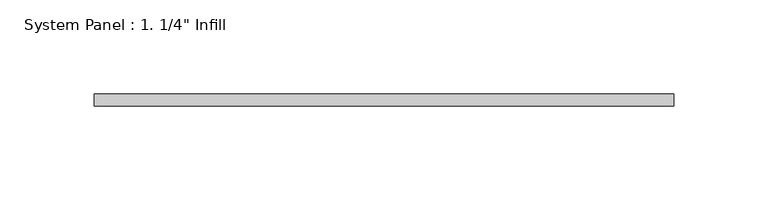
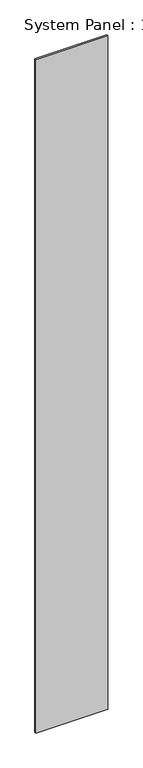
"""IFC4 building model written with IfcOpenShell, lengths in millimetres: plate geometry."""

from ifc_helpers import new_model, si_unit, origin, origin_with_axes, place, context, project, spatial, polyline, outline, extrude, source, transform, mapped, element, save


def plate_95438ecd(model_context):
    return source(origin(), model_context, "Body", "SweptSolid", [
        extrude(outline(polyline([(154.0320092, 0.0), (-154.0320092, 0.0), (-154.0320092, 6.35), (154.0320092, 6.35), (154.0320092, 0.0)])), origin_with_axes(), (0.0, 0.0, 1.0), 3048.0),
    ])


if __name__ == "__main__":
    model = new_model("IFC4")
    model_context = context("Model", 3, world=origin())
    ifc_project = project(units=[si_unit("LENGTHUNIT", "METRE", prefix="MILLI")], contexts=[model_context])
    site = spatial("IfcSite", under=ifc_project)
    building = spatial("IfcBuilding", under=site)
    placement = place(None, origin())
    plate_shape = plate_95438ecd(model_context)
    element("IfcPlate", 1, ObjectType="System Panel : 1. 1/4\" Infill", at=placement, inside=building, context=model_context, shape_type="MappedRepresentation", body=[
        mapped(plate_shape, transform((0.0, 0.0, 0.0), x_axis=(1.0, 0.0, 0.0), y_axis=(0.0, 1.0, 0.0), z_axis=(0.0, 0.0, 1.0))),
    ])
    save(model, "model.ifc")
